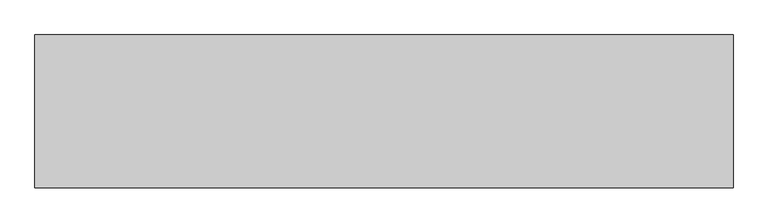
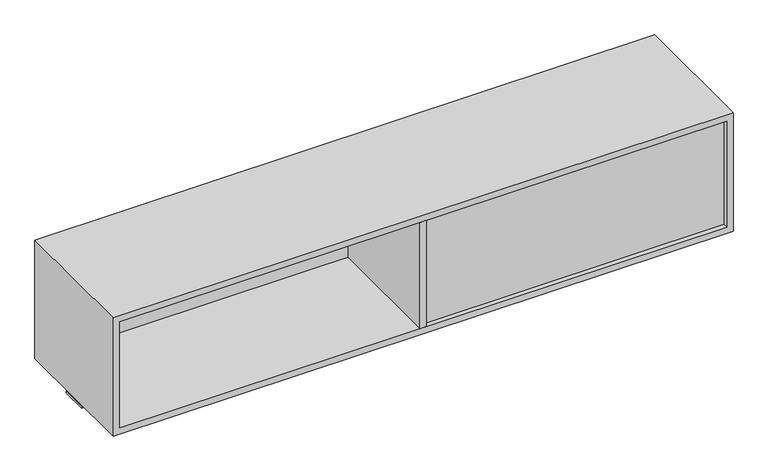
"""IFC4 building model written with IfcOpenShell, lengths in millimetres: furniture geometry."""

from ifc_helpers import new_model, si_unit, frame, origin, place, context, project, spatial, polyline, outline, extrude, source, transform, mapped, element, save


def furniture_d0c7f67e(model_context):
    return source(origin(), model_context, "Body", "SweptSolid", [
        extrude(outline(polyline([(466.852, -241.2273724), (447.548, -241.2273724), (447.548, 158.8226276), (466.852, 158.8226276), (466.852, -241.2273724)])), frame((0.0, 0.0, 893.6736), z_axis=(0.0, 0.0, 1.0), x_axis=(1.0, 0.0, 0.0)), (0.0, 0.0, 1.0), 330.5048),
        extrude(outline(polyline([(1371.6, -2.0863724), (1371.6, -80.3183724), (-457.2, -80.3183724), (-457.2, -2.0863724), (1371.6, -2.0863724)])), frame((0.0, 0.0, 864.0826), z_axis=(0.0, 0.0, 1.0), x_axis=(1.0, 0.0, 0.0)), (0.0, 0.0, 1.0), 6.858),
        extrude(outline(polyline([(447.548, 145.5282676), (447.548, 126.2242676), (-437.896, 126.2242676), (-437.896, 145.5282676), (447.548, 145.5282676)])), frame((0.0, 0.0, 893.6736), z_axis=(0.0, 0.0, 1.0), x_axis=(1.0, 0.0, 0.0)), (0.0, 0.0, 1.0), 330.5048),
        extrude(outline(polyline([(1352.296, -208.5832924), (1352.296, -227.8872924), (466.852, -227.8872924), (466.852, -208.5832924), (1352.296, -208.5832924)])), frame((0.0, 0.0, 893.6736), z_axis=(0.0, 0.0, 1.0), x_axis=(1.0, 0.0, 0.0)), (0.0, 0.0, 1.0), 330.5048),
        extrude(outline(polyline([(1243.4824, -457.2), (874.3696, -457.2), (874.3696, 1371.6), (1243.4824, 1371.6), (1243.4824, -457.2)]), holes=[polyline([(1224.1784, -437.896), (1224.1784, 1352.296), (893.6736, 1352.296), (893.6736, -437.896), (1224.1784, -437.896)])]), frame((0.0, -241.2273724, 0.0), z_axis=(0.0, 1.0, 0.0), x_axis=(0.0, 0.0, 1.0)), (0.0, 0.0, 1.0), 400.05),
        extrude(outline(polyline([(466.852, -241.2273724), (447.548, -241.2273724), (447.548, 158.8226276), (466.852, 158.8226276), (466.852, -241.2273724)])), frame((0.0, 0.0, 893.6736), z_axis=(0.0, 0.0, 1.0), x_axis=(1.0, 0.0, 0.0)), (0.0, 0.0, 1.0), 330.5048),
    ])


if __name__ == "__main__":
    model = new_model("IFC4")
    model_context = context("Model", 3, world=origin())
    ifc_project = project(units=[si_unit("LENGTHUNIT", "METRE", prefix="MILLI")], contexts=[model_context])
    site = spatial("IfcSite", under=ifc_project)
    building = spatial("IfcBuilding", under=site)
    placement = place(None, origin())
    furniture_shape = furniture_d0c7f67e(model_context)
    element("IfcFurniture", 1, at=placement, inside=building, context=model_context, shape_type="MappedRepresentation", body=[
        mapped(furniture_shape, transform((0.0, 0.0, 0.0), x_axis=(1.0, 0.0, 0.0), y_axis=(0.0, 1.0, 0.0), z_axis=(0.0, 0.0, 1.0))),
    ])
    save(model, "model.ifc")
